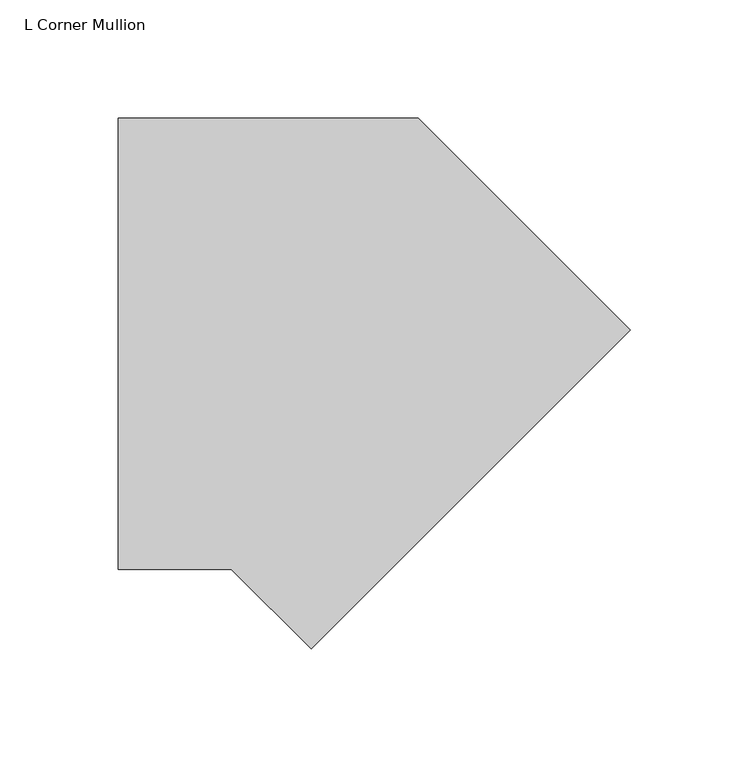
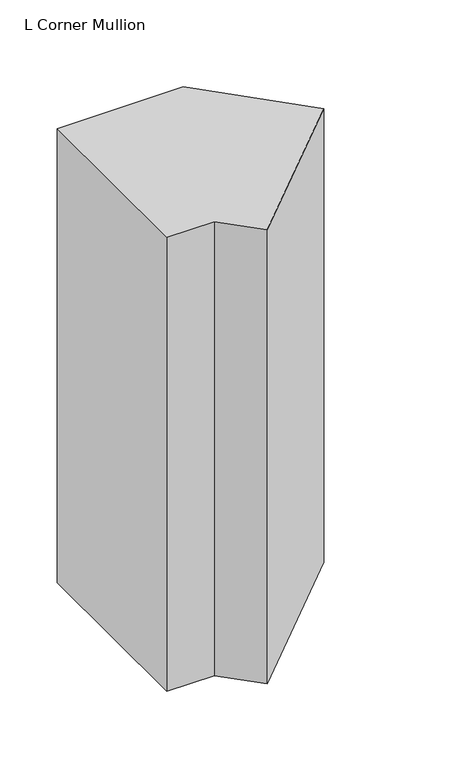
"""IFC4 building model written with IfcOpenShell, lengths in millimetres: member geometry, L Corner Mullion."""

import ifcopenshell
import ifcopenshell.guid

model = None  # the IFC model being written
_history = None  # IfcOwnerHistory: only IFC2X3 demands one
_inside = {}  # id of a spatial element -> (the spatial element, [elements in it])
_under = {}  # id of a project, library or spatial element -> (it, [spatial elements below it])
_declared = {}  # id of a project -> (the project, [libraries it declares])
_typed = {}  # id of a type object -> (the type object, [elements of that type])
_made_of = {}  # id of a material, layer set ... -> (it, [elements and type objects made of it])


def new_model(schema):
    """Start an empty IFC model of exactly this schema.

    Asked for "IFC4X3", IfcOpenShell would pick the latest addendum, in which some entities
    have other attributes; the version numbers below select the first issue.
    IFC2X3 requires an IfcOwnerHistory on every rooted entity: one is made here for all.
    """
    global model, _history
    if schema == "IFC4X3":
        model = ifcopenshell.file(schema_version=(4, 3, 0, 0))
    else:
        model = ifcopenshell.file(schema=schema)
    _inside.clear()
    _under.clear()
    _declared.clear()
    _typed.clear()
    _made_of.clear()
    _history = None
    if model.schema == "IFC2X3":
        org = make("IfcOrganization", Name="unknown")
        user = make(
            "IfcPersonAndOrganization",
            ThePerson=make("IfcPerson", FamilyName="unknown"),
            TheOrganization=org,
        )
        app = make(
            "IfcApplication",
            ApplicationDeveloper=org,
            Version="unknown",
            ApplicationFullName="unknown",
            ApplicationIdentifier="unknown",
        )
        _history = make(
            "IfcOwnerHistory",
            OwningUser=user,
            OwningApplication=app,
            ChangeAction="ADDED",
            CreationDate=0,
        )
    return model


def make(cls, **values):
    """One entity of the class cls with the attributes given. An attribute that is None is left unset."""
    return model.create_entity(
        cls, **{name: value for name, value in values.items() if value is not None}
    )


def rooted(cls, **values):
    """An entity with a GlobalId (a new one), such as an element, a storey or a relation."""
    return make(cls, GlobalId=ifcopenshell.guid.new(), OwnerHistory=_history, **values)


def si_unit(unit_type, name, prefix=None):
    """IfcSIUnit, for example si_unit("LENGTHUNIT", "METRE", prefix="MILLI")."""
    return make("IfcSIUnit", UnitType=unit_type, Prefix=prefix, Name=name)


def assignment(units):
    """IfcUnitAssignment: the units of a project."""
    return None if units is None else make("IfcUnitAssignment", Units=units)


def point(xyz):
    """IfcCartesianPoint."""
    return None if xyz is None else make("IfcCartesianPoint", Coordinates=xyz)


def direction(xyz):
    """IfcDirection."""
    return None if xyz is None else make("IfcDirection", DirectionRatios=xyz)


def frame(location, z_axis=None, x_axis=None):
    """IfcAxis2Placement3D, a coordinate frame: its origin and axes. An axis left out is left unset."""
    return make(
        "IfcAxis2Placement3D",
        Location=point(location),
        Axis=direction(z_axis),
        RefDirection=direction(x_axis),
    )


def origin():
    """The frame at (0, 0, 0) with its axes left unset."""
    return frame((0.0, 0.0, 0.0))


def place(relative_to, where):
    """IfcLocalPlacement: puts the frame where relative to a parent placement (None: the world)."""
    return make(
        "IfcLocalPlacement", PlacementRelTo=relative_to, RelativePlacement=where
    )


def context(
    kind, dimensions, precision=None, world=None, true_north=None, identifier=None
):
    """IfcGeometricRepresentationContext, for example the 3D "Model" context."""
    return make(
        "IfcGeometricRepresentationContext",
        ContextIdentifier=identifier,
        ContextType=kind,
        CoordinateSpaceDimension=dimensions,
        Precision=precision,
        WorldCoordinateSystem=world,
        TrueNorth=true_north,
    )


def project(units=None, contexts=None):
    """IfcProject with its units and contexts."""
    return rooted(
        "IfcProject",
        Name="project",
        RepresentationContexts=contexts,
        UnitsInContext=assignment(units),
    )


def spatial(cls, under=None, at=None, **own):
    """A site, building, storey or space (cls), placed at a placement, below another one or the project."""
    s = rooted(cls, ObjectPlacement=at, **own)
    if under is not None:
        _under.setdefault(under.id(), (under, []))[1].append(s)
    return s


def polyline(points):
    """IfcPolyline through the points."""
    return make("IfcPolyline", Points=[point(p) for p in points])


def outline(outer, holes=None, kind="AREA"):
    """IfcArbitraryClosedProfileDef: a profile drawn as a closed curve; with holes, ...WithVoids."""
    if holes is None:
        return make("IfcArbitraryClosedProfileDef", ProfileType=kind, OuterCurve=outer)
    return make(
        "IfcArbitraryProfileDefWithVoids",
        ProfileType=kind,
        OuterCurve=outer,
        InnerCurves=holes,
    )


def extrude(swept, where, along, depth):
    """IfcExtrudedAreaSolid: the profile swept, set in the frame where, extruded along a direction by depth."""
    return make(
        "IfcExtrudedAreaSolid",
        SweptArea=swept,
        Position=where,
        ExtrudedDirection=direction(along),
        Depth=depth,
    )


def shape(context_of_items, identifier, shape_type, items):
    """IfcShapeRepresentation: the items that make up one representation, for example the "Body"."""
    return make(
        "IfcShapeRepresentation",
        ContextOfItems=context_of_items,
        RepresentationIdentifier=identifier,
        RepresentationType=shape_type,
        Items=items,
    )


def source(mapping_origin, context_of_items, identifier, shape_type, items):
    """IfcRepresentationMap: a shape defined once, which mapped items show again and again."""
    return make(
        "IfcRepresentationMap",
        MappingOrigin=mapping_origin,
        MappedRepresentation=shape(context_of_items, identifier, shape_type, items),
    )


def transform(
    local_origin,
    x_axis=None,
    y_axis=None,
    z_axis=None,
    scale=None,
    scale2=None,
    scale3=None,
    uniform=True,
):
    """IfcCartesianTransformationOperator3D, or its non-uniform kind. x_axis, y_axis, z_axis: its Axis1, 2, 3."""
    if uniform:
        return make(
            "IfcCartesianTransformationOperator3D",
            Axis1=direction(x_axis),
            Axis2=direction(y_axis),
            LocalOrigin=point(local_origin),
            Scale=scale,
            Axis3=direction(z_axis),
        )
    return make(
        "IfcCartesianTransformationOperator3DnonUniform",
        Axis1=direction(x_axis),
        Axis2=direction(y_axis),
        LocalOrigin=point(local_origin),
        Scale=scale,
        Axis3=direction(z_axis),
        Scale2=scale2,
        Scale3=scale3,
    )


def mapped(mapping_source, mapping_target):
    """IfcMappedItem: shows the shape of a source again, moved by a transform."""
    return make(
        "IfcMappedItem", MappingSource=mapping_source, MappingTarget=mapping_target
    )


def made_of(thing, what):
    """Note that an element or type object is made of a material, layer set ...; save() writes the relation."""
    if what is not None:
        _made_of.setdefault(what.id(), (what, []))[1].append(thing)
    return thing


def element(
    cls,
    number,
    at=None,
    inside=None,
    cuts=None,
    type_object=None,
    material=None,
    context=None,
    identifier="Body",
    shape_type=None,
    held_by="IfcProductDefinitionShape",
    body=None,
    shapes=None,
    **own,
):
    """One element of the class cls, such as IfcWall. Its Tag is "e" and its number.

    at: its placement. inside: the storey or other place that contains it. cuts: it is an
    opening in that element (IfcRelVoidsElement). A single representation is given by context,
    identifier, shape_type and body (its items); several are given by shapes. held_by: the class
    of the entity that holds the representations. save() writes the other relations.
    """
    e = rooted(cls, Tag="e%d" % number, ObjectPlacement=at, **own)
    if body is not None:
        shapes = [shape(context, identifier, shape_type, body)]
    if shapes is not None:
        e.Representation = make(held_by, Representations=shapes)
    if inside is not None:
        _inside.setdefault(inside.id(), (inside, []))[1].append(e)
    if cuts is not None:
        rooted(
            "IfcRelVoidsElement", RelatingBuildingElement=cuts, RelatedOpeningElement=e
        )
    if type_object is not None:
        _typed.setdefault(type_object.id(), (type_object, []))[1].append(e)
    return made_of(e, material)


def aggregate(whole, parts):
    """IfcRelAggregates: a whole, such as a stair, and the parts it consists of."""
    return rooted("IfcRelAggregates", RelatingObject=whole, RelatedObjects=parts)


def save(model, path):
    """Write the relations noted so far, then the file.

    IfcRelAggregates (storeys below a building ...), IfcRelContainedInSpatialStructure (elements
    in a storey), IfcRelDefinesByType, IfcRelAssociatesMaterial and IfcRelDeclares: one each for
    every whole, place, type object, material and project.
    """
    for whole, parts in _under.values():
        aggregate(whole, parts)
    for where, things in _inside.values():
        rooted(
            "IfcRelContainedInSpatialStructure",
            RelatedElements=things,
            RelatingStructure=where,
        )
    for kind, things in _typed.values():
        rooted("IfcRelDefinesByType", RelatedObjects=things, RelatingType=kind)
    for what, things in _made_of.values():
        rooted("IfcRelAssociatesMaterial", RelatedObjects=things, RelatingMaterial=what)
    for by, libraries in _declared.values():
        rooted("IfcRelDeclares", RelatingContext=by, RelatedDefinitions=libraries)
    model.write(path)


def l_corner_mullion_96fd3edd(model_context):
    return source(origin(), model_context, "Body", "SweptSolid", [
        extrude(outline(polyline([(-29.4252817, -186.1008652), (-63.1261469, -152.4), (-110.7863676, -152.4), (-110.7863676, 38.1), (15.7815367, 38.1), (105.2785601, -51.3970234), (-29.4252817, -186.1008652)])), frame((0.0, 0.0, -482.1103332), z_axis=(0.0, 0.0, 1.0), x_axis=(1.0, 0.0, 0.0)), (0.0, 0.0, 1.0), 482.1103332),
    ])


if __name__ == "__main__":
    model = new_model("IFC4")
    model_context = context("Model", 3, world=origin())
    ifc_project = project(units=[si_unit("LENGTHUNIT", "METRE", prefix="MILLI")], contexts=[model_context])
    site = spatial("IfcSite", under=ifc_project)
    building = spatial("IfcBuilding", under=site)
    placement = place(None, origin())
    l_corner_mullion_shape = l_corner_mullion_96fd3edd(model_context)
    element("IfcMember", 1, ObjectType="L Corner Mullion", at=placement, inside=building, context=model_context, shape_type="MappedRepresentation", body=[
        mapped(l_corner_mullion_shape, transform((0.0, 0.0, 0.0), x_axis=(1.0, 0.0, 0.0), y_axis=(0.0, 1.0, 0.0), z_axis=(0.0, 0.0, 1.0))),
    ])
    save(model, "model.ifc")
